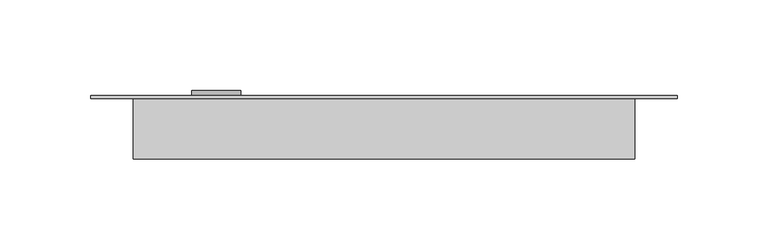
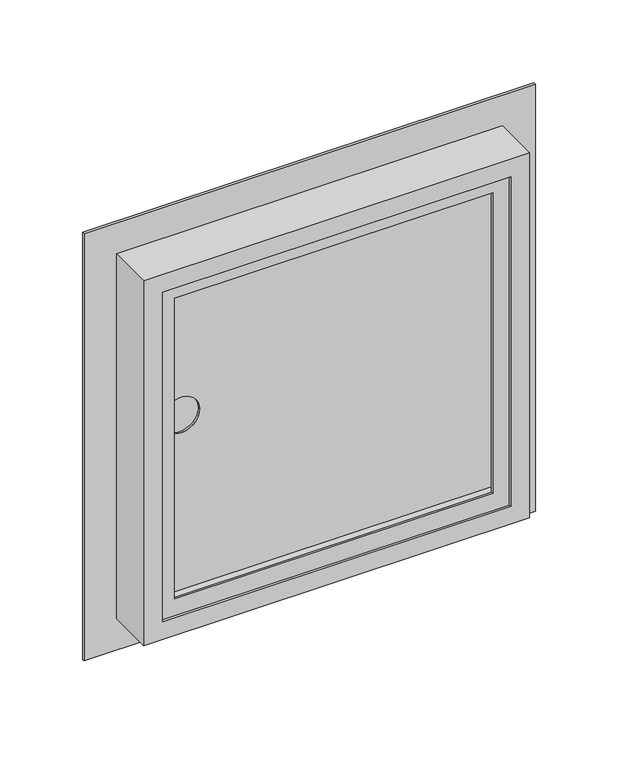
"""IFC4 building model written with IfcOpenShell, lengths in millimetres: proxy geometry."""

from ifc_helpers import new_model, si_unit, frame, origin, place, context, project, spatial, polyline, circle_curve, faceted_brep, source, transform, mapped, element, save
from ifc_brep_helpers import plane_surface, cylinder_surface, revolved_surface, advanced_brep


def generic_models_bb08e6f0(model_context):
    return source(origin(), model_context, "Body", "SolidModel", [
        advanced_brep(
        [(-9.0, 45.9999992, 859.0), (-9.0, 77.0, 859.0), (-9.0, 77.0, 591.0), (-9.0, 45.9999992, 591.0), (11.0, 47.4999985, 839.0), (11.0, 45.9999992, 839.0), (11.0, 45.9999992, 611.0), (11.0, 47.4999985, 611.0), (-7.5000044, 75.5000007, 857.5000044), (-7.5000044, 47.4999985, 857.5000044), (-7.5000044, 47.4999985, 592.4999956), (-7.5000044, 75.5000007, 592.4999956), (259.4999945, 77.0, 591.0), (259.4999945, 45.9999992, 591.0), (239.4999945, 45.9999992, 611.0), (239.4999945, 47.4999985, 611.0), (257.9999989, 47.4999985, 592.4999956), (257.9999989, 75.5000007, 592.4999956), (259.4999945, 77.0, 859.0), (259.4999945, 45.9999992, 859.0), (239.4999945, 45.9999992, 839.0), (239.4999945, 47.4999985, 839.0), (257.9999989, 47.4999985, 857.5000044), (257.9999989, 75.5000007, 857.5000044), (45.9999995, 77.0, 725.0), (18.9999995, 77.0, 725.0), (18.9999995, 75.5000007, 725.0), (45.9999995, 75.5000007, 725.0), (18.9999995, 77.0, 725.0), (45.9999995, 77.0, 725.0), (45.9999995, 80.0, 725.0), (18.9999995, 80.0, 725.0)],
        [
            (0, 1),
            (1, 2),
            (2, 3),
            (3, 0),
            (4, 5),
            (5, 6),
            (6, 7),
            (7, 4),
            (8, 9),
            (9, 10),
            (10, 11),
            (11, 8),
            (2, 12),
            (12, 13),
            (13, 3),
            (6, 14),
            (14, 15),
            (15, 7),
            (10, 16),
            (16, 17),
            (17, 11),
            (12, 18),
            (18, 19),
            (19, 13),
            (14, 20),
            (20, 21),
            (21, 15),
            (16, 22),
            (22, 23),
            (23, 17),
            (1, 18),
            (24, 25, circle_curve(frame((32.4999995, 77.0, 725.0), z_axis=(0.0, -1.0, 0.0), x_axis=(-1.0, 0.0, 0.0)), 13.5)),
            (25, 24, circle_curve(frame((32.4999995, 77.0, 725.0), z_axis=(0.0, -1.0, 0.0), x_axis=(-1.0, 0.0, 0.0)), 13.5)),
            (0, 19),
            (5, 20),
            (4, 21),
            (9, 22),
            (8, 23),
            (26, 27, circle_curve(frame((32.4999995, 75.5000007, 725.0), z_axis=(0.0, 1.0, 0.0), x_axis=(1.0, 0.0, 0.0)), 13.5)),
            (27, 26, circle_curve(frame((32.4999995, 75.5000007, 725.0), z_axis=(0.0, 1.0, 0.0), x_axis=(1.0, 0.0, 0.0)), 13.5)),
            (26, 28),
            (28, 29, circle_curve(frame((32.4999995, 77.0, 725.0), z_axis=(0.0, 1.0, 0.0), x_axis=(1.0, 0.0, 0.0)), 13.5)),
            (29, 27),
            (29, 28, circle_curve(frame((32.4999995, 77.0, 725.0), z_axis=(0.0, 1.0, 0.0), x_axis=(1.0, 0.0, 0.0)), 13.5)),
            (30, 31, circle_curve(frame((32.4999995, 80.0, 725.0), z_axis=(0.0, 1.0, 0.0), x_axis=(-1.0, 0.0, 0.0)), 13.5)),
            (31, 30, circle_curve(frame((32.4999995, 80.0, 725.0), z_axis=(0.0, 1.0, 0.0), x_axis=(-1.0, 0.0, 0.0)), 13.5)),
            (31, 25),
            (24, 30),
        ],
        [
            plane_surface(frame((-9.0, 77.0, 859.0), z_axis=(-1.0, 0.0, 0.0), x_axis=(0.0, 0.0, -1.0))),
            plane_surface(frame((11.0, 45.9999992, 839.0), z_axis=(1.0, 0.0, 0.0), x_axis=(0.0, 0.0, -1.0))),
            plane_surface(frame((-7.5000044, 47.4999985, 857.5000044), z_axis=(1.0, 0.0, 0.0), x_axis=(0.0, 0.0, -1.0))),
            plane_surface(frame((-9.0, 77.0, 591.0), z_axis=(0.0, 0.0, -1.0), x_axis=(1.0, 0.0, 0.0))),
            plane_surface(frame((11.0, 45.9999992, 611.0), z_axis=(0.0, 0.0, 1.0), x_axis=(1.0, 0.0, 0.0))),
            plane_surface(frame((-7.5000044, 47.4999985, 592.4999956), z_axis=(0.0, 0.0, 1.0), x_axis=(1.0, 0.0, 0.0))),
            plane_surface(frame((259.4999945, 77.0, 591.0), z_axis=(1.0, 0.0, 0.0), x_axis=(0.0, 0.0, 1.0))),
            plane_surface(frame((239.4999945, 45.9999992, 611.0), z_axis=(-1.0, 0.0, 0.0), x_axis=(0.0, 0.0, 1.0))),
            plane_surface(frame((257.9999989, 47.4999985, 592.4999956), z_axis=(-1.0, 0.0, 0.0), x_axis=(0.0, 0.0, 1.0))),
            plane_surface(frame((239.4999945, 77.0, 839.0), z_axis=(0.0, 1.0, 0.0), x_axis=(-1.0, 0.0, 0.0))),
            plane_surface(frame((259.4999945, 77.0, 859.0), z_axis=(0.0, 0.0, 1.0), x_axis=(-1.0, 0.0, 0.0))),
            plane_surface(frame((259.4999945, 45.9999992, 859.0), z_axis=(0.0, -1.0, 0.0), x_axis=(-1.0, 0.0, 0.0))),
            plane_surface(frame((239.4999945, 45.9999992, 839.0), z_axis=(0.0, 0.0, -1.0), x_axis=(-1.0, 0.0, 0.0))),
            plane_surface(frame((239.4999945, 47.4999985, 839.0), z_axis=(0.0, 1.0, 0.0), x_axis=(-1.0, 0.0, 0.0))),
            plane_surface(frame((257.9999989, 47.4999985, 857.5000044), z_axis=(0.0, 0.0, -1.0), x_axis=(-1.0, 0.0, 0.0))),
            plane_surface(frame((257.9999989, 75.5000007, 857.5000044), z_axis=(0.0, -1.0, 0.0), x_axis=(-1.0, 0.0, 0.0))),
            revolved_surface(polyline([(45.9999995, 77.0, 725.0), (45.9999995, 75.5000007, 725.0)]), (32.4999995, 0.0, 725.0), (0.0, 1.0, 0.0)),
            plane_surface(frame((18.9999995, 80.0, 725.0), z_axis=(0.0, 1.0, 0.0), x_axis=(0.0, 0.0, 1.0))),
            plane_surface(frame((18.9999995, 77.0, 725.0), z_axis=(0.0, -1.0, 0.0), x_axis=(0.0, 0.0, -1.0))),
            cylinder_surface(frame((32.4999995, 77.0, 725.0), z_axis=(0.0, 1.0, 0.0), x_axis=(-1.0, 0.0, 0.0)), 13.5),
        ],
        [
            (0, [[1, 2, 3, 4]]),
            (1, [[5, 6, 7, 8]]),
            (2, [[9, 10, 11, 12]]),
            (3, [[-3, 13, 14, 15]]),
            (4, [[-7, 16, 17, 18]]),
            (5, [[-11, 19, 20, 21]]),
            (6, [[-14, 22, 23, 24]]),
            (7, [[-17, 25, 26, 27]]),
            (8, [[-20, 28, 29, 30]]),
            (9, [[-2, 31, -22, -13], [32, 33]]),
            (10, [[-1, 34, -23, -31]]),
            (11, [[-4, -15, -24, -34], [-6, 35, -25, -16]]),
            (12, [[-5, 36, -26, -35]]),
            (13, [[-10, 37, -28, -19], [-8, -18, -27, -36]]),
            (14, [[-9, 38, -29, -37]]),
            (15, [[-12, -21, -30, -38], [39, 40]]),
            (16, [[-39, 41, 42, 43]]),
            (16, [[-40, -43, 44, -41]]),
            (17, [[45, 46]]),
            (18, [[-42, -44]]),
            (19, [[-46, 47, -32, 48]]),
            (19, [[-45, -48, -33, -47]]),
        ],
    ),
        faceted_brep([(-13.4999901, 41.9999999, 863.4999901), (-13.4999901, 75.5000007, 863.4999901), (-13.4999901, 75.5000007, 586.5000099), (-13.4999901, 41.9999999, 586.5000099), (0.0, 43.4999992, 850.0), (0.0, 41.9999999, 850.0), (0.0, 41.9999999, 600.0), (0.0, 43.4999992, 600.0), (-11.9999945, 77.0, 861.9999945), (-11.9999945, 43.4999992, 861.9999945), (-11.9999945, 43.4999992, 588.0000055), (-11.9999945, 77.0, 588.0000055), (-37.0000005, 75.5000007, 887.0000005), (-37.0000005, 77.0, 887.0000005), (-37.0000005, 77.0, 562.9999995), (-37.0000005, 75.5000007, 562.9999995), (263.4999901, 75.5000007, 586.5000099), (263.4999901, 41.9999999, 586.5000099), (250.0, 41.9999999, 600.0), (250.0, 43.4999992, 600.0), (261.9999945, 43.4999992, 588.0000055), (261.9999945, 77.0, 588.0000055), (287.0000005, 77.0, 562.9999995), (287.0000005, 75.5000007, 562.9999995), (263.4999901, 75.5000007, 863.4999901), (263.4999901, 41.9999999, 863.4999901), (250.0, 41.9999999, 850.0), (250.0, 43.4999992, 850.0), (261.9999945, 43.4999992, 861.9999945), (261.9999945, 77.0, 861.9999945), (287.0000005, 77.0, 887.0000005), (287.0000005, 75.5000007, 887.0000005)], [[[0, 1, 2, 3]], [[4, 5, 6, 7]], [[8, 9, 10, 11]], [[12, 13, 14, 15]], [[3, 2, 16, 17]], [[7, 6, 18, 19]], [[11, 10, 20, 21]], [[15, 14, 22, 23]], [[17, 16, 24, 25]], [[19, 18, 26, 27]], [[21, 20, 28, 29]], [[23, 22, 30, 31]], [[25, 24, 1, 0]], [[3, 17, 25, 0], [5, 26, 18, 6]], [[27, 26, 5, 4]], [[9, 28, 20, 10], [7, 19, 27, 4]], [[29, 28, 9, 8]], [[13, 30, 22, 14], [11, 21, 29, 8]], [[31, 30, 13, 12]], [[15, 23, 31, 12], [1, 24, 16, 2]]]),
    ])


if __name__ == "__main__":
    model = new_model("IFC4")
    model_context = context("Model", 3, world=origin())
    ifc_project = project(units=[si_unit("LENGTHUNIT", "METRE", prefix="MILLI")], contexts=[model_context])
    site = spatial("IfcSite", under=ifc_project)
    building = spatial("IfcBuilding", under=site)
    placement = place(None, origin())
    generic_models_shape = generic_models_bb08e6f0(model_context)
    element("IfcBuildingElementProxy", 1, Name="Generic Models", at=placement, inside=building, context=model_context, shape_type="MappedRepresentation", body=[
        mapped(generic_models_shape, transform((0.0, 0.0, 0.0), x_axis=(1.0, 0.0, 0.0), y_axis=(0.0, 1.0, 0.0), z_axis=(0.0, 0.0, 1.0))),
    ])
    save(model, "model.ifc")
